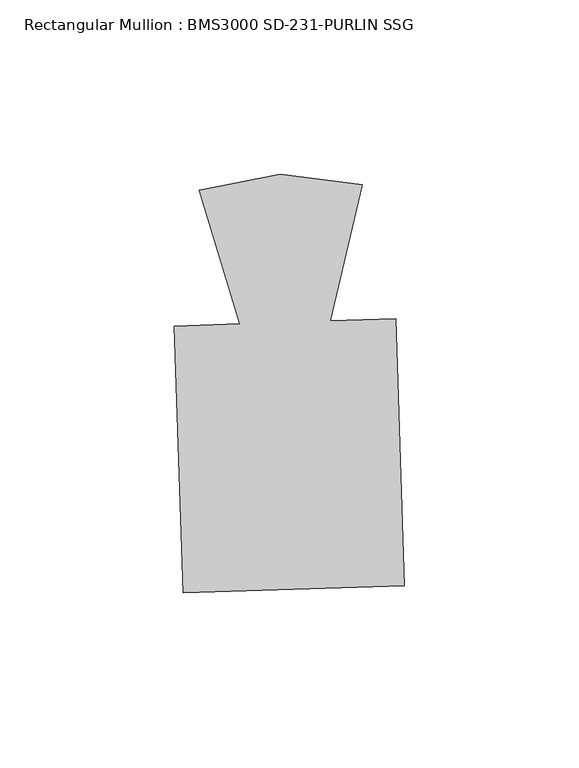
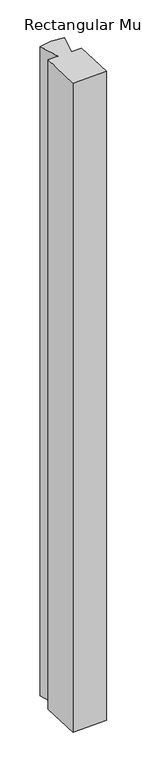
"""IFC4 building model written with IfcOpenShell, lengths in millimetres: member geometry, Rectangular Mullion : BMS3000 SD-231-PURLIN SSG."""

from ifc_helpers import new_model, si_unit, frame, origin, place, context, project, spatial, polyline, outline, extrude, source, transform, mapped, element, save


def rectangular_mullion_bms3000_sd_231_purlin_ssg_751fb3aa(model_context):
    return source(origin(), model_context, "Body", "SweptSolid", [
        extrude(outline(polyline([(34.4381468, -82.3608969), (-29.0283962, -84.4219432), (-31.5123693, -7.9320655), (-12.7401357, -7.322446), (-24.3626947, 31.028137), (-1.1575255, 35.5448817), (22.2918004, 32.5432199), (13.1819402, -6.4806387), (31.9541738, -5.8710192), (34.4381468, -82.3608969)])), frame((0.0, 0.0, -1282.472221), z_axis=(0.0, 0.0, 1.0), x_axis=(1.0, 0.0, 0.0)), (0.0, 0.0, 1.0), 1282.472221),
    ])


if __name__ == "__main__":
    model = new_model("IFC4")
    model_context = context("Model", 3, world=origin())
    ifc_project = project(units=[si_unit("LENGTHUNIT", "METRE", prefix="MILLI")], contexts=[model_context])
    site = spatial("IfcSite", under=ifc_project)
    building = spatial("IfcBuilding", under=site)
    placement = place(None, origin())
    rectangular_mullion_bms3000_sd_231_purlin_ssg_shape = rectangular_mullion_bms3000_sd_231_purlin_ssg_751fb3aa(model_context)
    element("IfcMember", 1, ObjectType="Rectangular Mullion : BMS3000 SD-231-PURLIN SSG", at=placement, inside=building, context=model_context, shape_type="MappedRepresentation", body=[
        mapped(rectangular_mullion_bms3000_sd_231_purlin_ssg_shape, transform((0.0, 0.0, 0.0), x_axis=(1.0, 0.0, 0.0), y_axis=(0.0, 1.0, 0.0), z_axis=(0.0, 0.0, 1.0))),
    ])
    save(model, "model.ifc")
